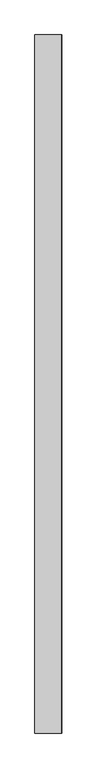
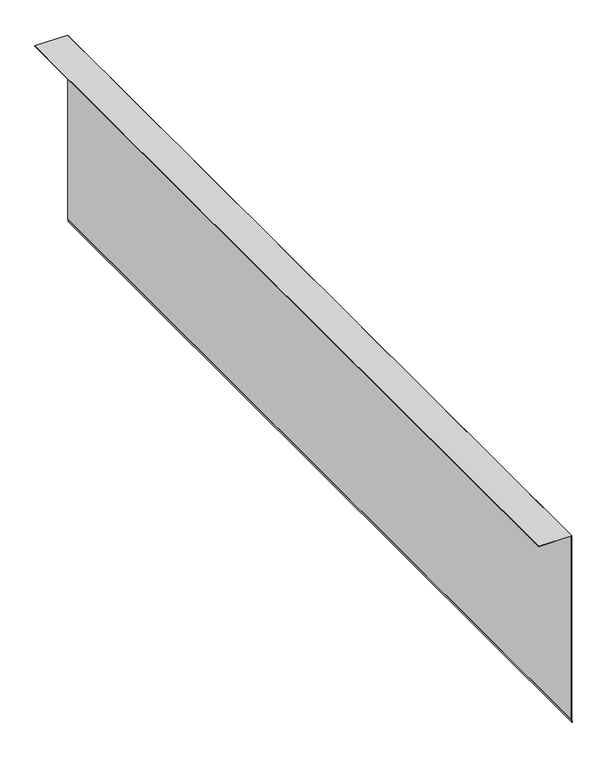
"""IFC4 building model written with IfcOpenShell, lengths in millimetres: proxy geometry."""

from ifc_helpers import new_model, si_unit, frame, origin, place, context, project, spatial, polyline, outline, extrude, source, transform, mapped, element, save


def generic_models_caddb524(model_context):
    return source(origin(), model_context, "Body", "SweptSolid", [
        extrude(outline(polyline([(4185.1876175, 37911.6585168), (5643.5625, 37911.6585168), (5643.5625, 37665.5247159), (5641.975, 37665.5247159), (5641.975, 37910.0710168), (4184.6870806, 37910.0710168), (4179.5066214, 37913.6984134), (4165.6, 37913.6984134), (4165.6, 37915.2859134), (4180.0071582, 37915.2859134), (4185.1876175, 37911.6585168)])), frame((0.0, -25196.3529893, 0.0), z_axis=(0.0, 1.0, 0.0), x_axis=(0.0, 0.0, 1.0)), (0.0, 0.0, 1.0), 6533.92),
    ])


if __name__ == "__main__":
    model = new_model("IFC4")
    model_context = context("Model", 3, world=origin())
    ifc_project = project(units=[si_unit("LENGTHUNIT", "METRE", prefix="MILLI")], contexts=[model_context])
    site = spatial("IfcSite", under=ifc_project)
    building = spatial("IfcBuilding", under=site)
    placement = place(None, origin())
    generic_models_shape = generic_models_caddb524(model_context)
    element("IfcBuildingElementProxy", 1, Name="Generic Models", at=placement, inside=building, context=model_context, shape_type="MappedRepresentation", body=[
        mapped(generic_models_shape, transform((0.0, 0.0, 0.0), x_axis=(1.0, 0.0, 0.0), y_axis=(0.0, 1.0, 0.0), z_axis=(0.0, 0.0, 1.0))),
    ])
    save(model, "model.ifc")
